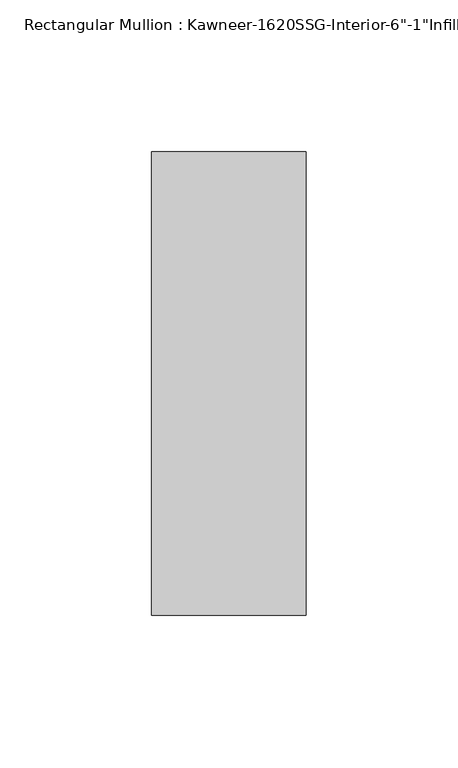
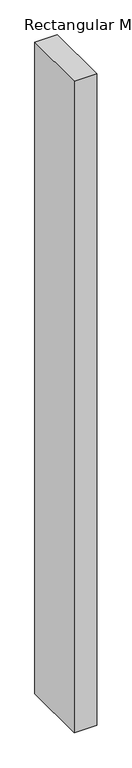
"""IFC4 building model written with IfcOpenShell, lengths in millimetres: member geometry."""

from ifc_helpers import new_model, si_unit, frame, origin, place, context, project, spatial, polyline, outline, extrude, source, transform, mapped, element, save


def member_07eaf6cd(model_context):
    return source(origin(), model_context, "Body", "SweptSolid", [
        extrude(outline(polyline([(25.4, -114.3), (-25.4, -114.3), (-25.4, 38.1), (25.4, 38.1), (25.4, -114.3)])), frame((0.0, 0.0, -1550.2682369), z_axis=(0.0, 0.0, 1.0), x_axis=(1.0, 0.0, 0.0)), (0.0, 0.0, 1.0), 1550.2682369),
    ])


if __name__ == "__main__":
    model = new_model("IFC4")
    model_context = context("Model", 3, world=origin())
    ifc_project = project(units=[si_unit("LENGTHUNIT", "METRE", prefix="MILLI")], contexts=[model_context])
    site = spatial("IfcSite", under=ifc_project)
    building = spatial("IfcBuilding", under=site)
    placement = place(None, origin())
    member_shape = member_07eaf6cd(model_context)
    element("IfcMember", 1, ObjectType="Rectangular Mullion : Kawneer-1620SSG-Interior-6\"-1\"Infill", at=placement, inside=building, context=model_context, shape_type="MappedRepresentation", body=[
        mapped(member_shape, transform((0.0, 0.0, 0.0), x_axis=(1.0, 0.0, 0.0), y_axis=(0.0, 1.0, 0.0), z_axis=(0.0, 0.0, 1.0))),
    ])
    save(model, "model.ifc")
